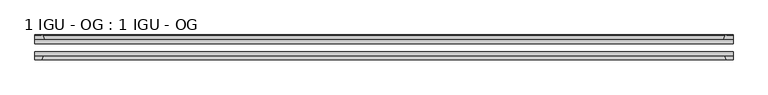
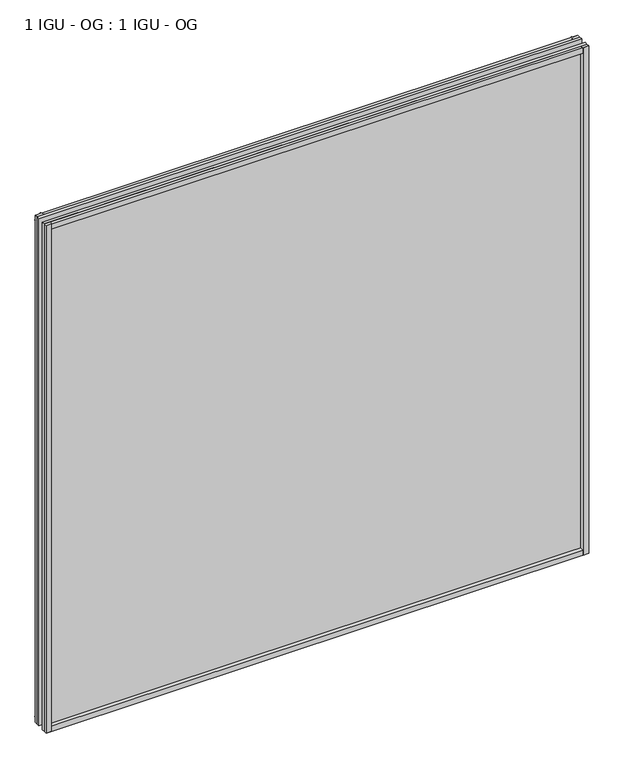
"""IFC4 building model written with IfcOpenShell, lengths in millimetres: plate geometry, 1 IGU - OG : 1 IGU - OG."""

from ifc_helpers import new_model, si_unit, point, frame, frame_2d, origin, place, context, project, spatial, polyline, circle_curve, trimmed, segment, composite_curve, outline, extrude, source, transform, mapped, element, save


def plate_1_igu_og_1_igu_og_b8e79e6c(model_context):
    return source(origin(), model_context, "Body", "SweptSolid", [
        extrude(outline(polyline([(538.1625, -31.75), (538.1625, -38.1), (-576.2625, -38.1), (-576.2625, -31.75), (538.1625, -31.75)])), frame((0.0, 0.0, -11.1125), z_axis=(0.0, 0.0, 1.0), x_axis=(1.0, 0.0, 0.0)), (0.0, 0.0, 1.0), 1101.725),
        extrude(outline(polyline([(-576.2625, -12.7), (538.1625, -12.7), (538.1625, -19.05), (-576.2625, -19.05), (-576.2625, -12.7)])), frame((0.0, 0.0, -11.1125), z_axis=(0.0, 0.0, 1.0), x_axis=(1.0, 0.0, 0.0)), (0.0, 0.0, 1.0), 1101.725),
        extrude(outline(composite_curve([segment(polyline([(-560.9267091, -12.7), (-576.2625, -12.7), (-576.2625, -6.35), (-565.15, -6.35), (-565.15, -4.7751661), (-564.220586, -4.7751661)]), True, "CONTINUOUS"), segment(trimmed(circle_curve(frame_2d((-564.220586, -5.5371661)), 0.762), [point((-564.220586, -4.7751661))], [point((-563.4783761, -5.364631))], False, "CARTESIAN"), True, "CONTINUOUS"), segment(trimmed(circle_curve(frame_2d((-527.8491579, 2.9177851)), 36.5792237), [point((-563.4783761, -5.364631))], [point((-560.9267091, -12.7))], True, "CARTESIAN"), True, "CONTINUOUS")], self_intersect=False)), frame((0.0, 0.0, -11.1125), z_axis=(0.0, 0.0, 1.0), x_axis=(1.0, 0.0, 0.0)), (0.0, 0.0, 1.0), 1101.725),
        extrude(outline(polyline([(-576.2625, -38.1), (-563.0447229, -38.1), (-565.15, -44.45), (-576.2625, -44.45), (-576.2625, -38.1)])), frame((0.0, 0.0, -11.1125), z_axis=(0.0, 0.0, 1.0), x_axis=(1.0, 0.0, 0.0)), (0.0, 0.0, 1.0), 1101.725),
        extrude(outline(composite_curve([segment(trimmed(circle_curve(frame_2d((526.120586, -5.5371661)), 0.762), [point((525.3783761, -5.364631))], [point((526.120586, -4.7751661))], False, "CARTESIAN"), True, "CONTINUOUS"), segment(polyline([(526.120586, -4.7751661), (527.05, -4.7751661), (527.05, -6.35), (538.1625, -6.35), (538.1625, -12.7), (522.8267091, -12.7)]), True, "CONTINUOUS"), segment(trimmed(circle_curve(frame_2d((489.7491579, 2.9177851)), 36.5792237), [point((522.8267091, -12.7))], [point((525.3783761, -5.364631))], True, "CARTESIAN"), True, "CONTINUOUS")], self_intersect=False)), frame((0.0, 0.0, -11.1125), z_axis=(0.0, 0.0, 1.0), x_axis=(1.0, 0.0, 0.0)), (0.0, 0.0, 1.0), 1101.725),
        extrude(outline(polyline([(524.9447229, -38.1), (538.1625, -38.1), (538.1625, -44.45), (527.05, -44.45), (524.9447229, -38.1)])), frame((0.0, 0.0, -11.1125), z_axis=(0.0, 0.0, 1.0), x_axis=(1.0, 0.0, 0.0)), (0.0, 0.0, 1.0), 1101.725),
        extrude(outline(composite_curve([segment(polyline([(-12.7, -11.1125), (-12.7, 4.2232909)]), True, "CONTINUOUS"), segment(trimmed(circle_curve(frame_2d((2.9177851, 37.3008421)), 36.5792237), [point((-12.7, 4.2232909))], [point((-5.364631, 1.6716239))], True, "CARTESIAN"), True, "CONTINUOUS"), segment(trimmed(circle_curve(frame_2d((-5.5371661, 0.929414)), 0.762), [point((-5.364631, 1.6716239))], [point((-4.7751661, 0.929414))], False, "CARTESIAN"), True, "CONTINUOUS"), segment(polyline([(-4.7751661, 0.929414), (-4.7751661, 0.0), (-6.35, 0.0), (-6.35, -11.1125), (-12.7, -11.1125)]), True, "CONTINUOUS")], self_intersect=False)), frame((-576.2625, 0.0, 0.0), z_axis=(1.0, 0.0, 0.0), x_axis=(0.0, 1.0, 0.0)), (0.0, 0.0, 1.0), 1114.425),
        extrude(outline(polyline([(-38.1, 2.1052771), (-38.1, -11.1125), (-44.45, -11.1125), (-44.45, 0.0), (-38.1, 2.1052771)])), frame((-576.2625, 0.0, 0.0), z_axis=(1.0, 0.0, 0.0), x_axis=(0.0, 1.0, 0.0)), (0.0, 0.0, 1.0), 1114.425),
        extrude(outline(composite_curve([segment(trimmed(circle_curve(frame_2d((2.9177851, 1042.1991578)), 36.5792237), [point((-5.364631, 1077.8283761))], [point((-12.7, 1075.2767091))], True, "CARTESIAN"), True, "CONTINUOUS"), segment(polyline([(-12.7, 1075.2767091), (-12.7, 1090.6125), (-6.35, 1090.6125), (-6.35, 1079.5), (-4.7751661, 1079.5), (-4.7751661, 1078.570586)]), True, "CONTINUOUS"), segment(trimmed(circle_curve(frame_2d((-5.5371661, 1078.570586)), 0.762), [point((-4.7751661, 1078.570586))], [point((-5.364631, 1077.8283761))], False, "CARTESIAN"), True, "CONTINUOUS")], self_intersect=False)), frame((-576.2625, 0.0, 0.0), z_axis=(1.0, 0.0, 0.0), x_axis=(0.0, 1.0, 0.0)), (0.0, 0.0, 1.0), 1114.425),
        extrude(outline(polyline([(-38.1, 1090.6125), (-38.1, 1077.3947229), (-44.45, 1079.5), (-44.45, 1090.6125), (-38.1, 1090.6125)])), frame((-576.2625, 0.0, 0.0), z_axis=(1.0, 0.0, 0.0), x_axis=(0.0, 1.0, 0.0)), (0.0, 0.0, 1.0), 1114.425),
    ])


if __name__ == "__main__":
    model = new_model("IFC4")
    model_context = context("Model", 3, world=origin())
    ifc_project = project(units=[si_unit("LENGTHUNIT", "METRE", prefix="MILLI")], contexts=[model_context])
    site = spatial("IfcSite", under=ifc_project)
    building = spatial("IfcBuilding", under=site)
    placement = place(None, origin())
    plate_1_igu_og_1_igu_og_shape = plate_1_igu_og_1_igu_og_b8e79e6c(model_context)
    element("IfcPlate", 1, ObjectType="1 IGU - OG : 1 IGU - OG", at=placement, inside=building, context=model_context, shape_type="MappedRepresentation", body=[
        mapped(plate_1_igu_og_1_igu_og_shape, transform((0.0, 0.0, 0.0), x_axis=(1.0, 0.0, 0.0), y_axis=(0.0, 1.0, 0.0), z_axis=(0.0, 0.0, 1.0))),
    ])
    save(model, "model.ifc")
